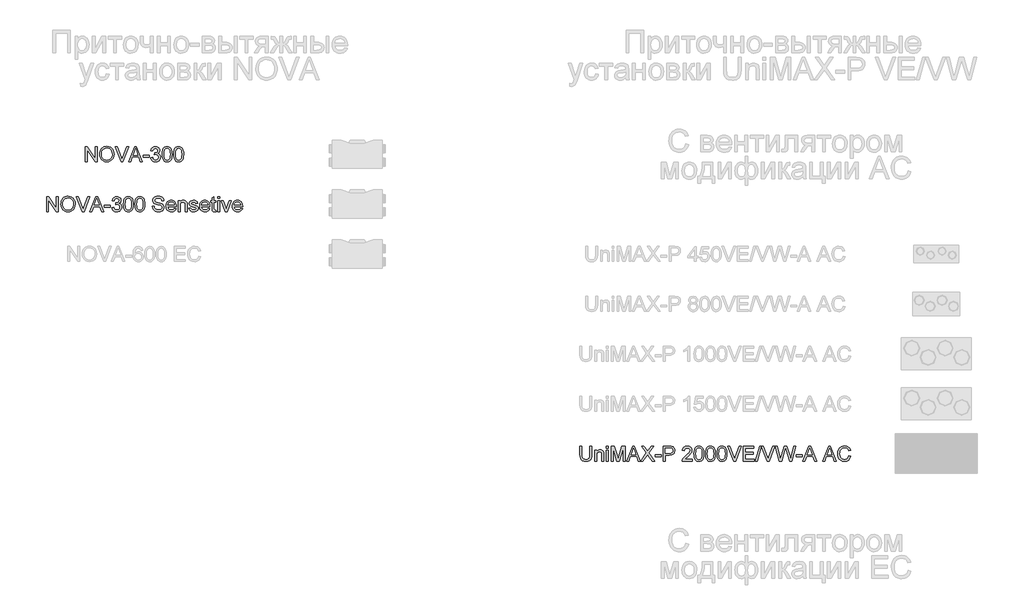
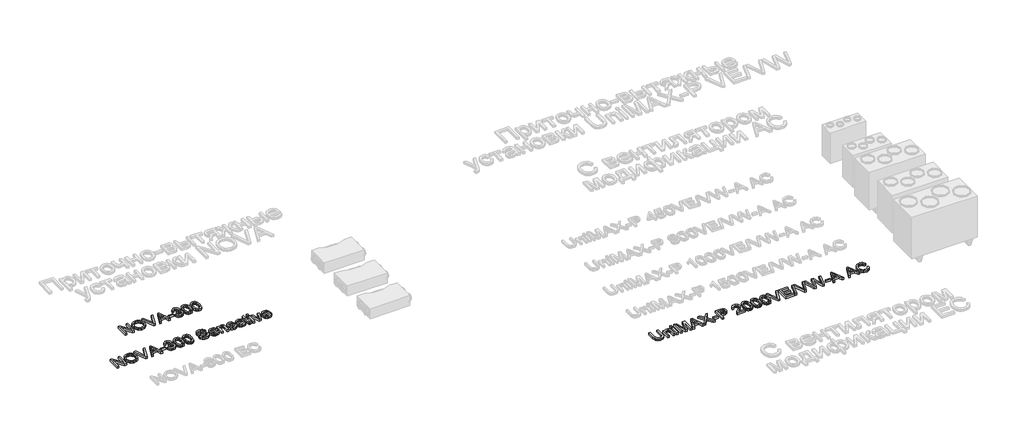
# One storey, part 16 of 74: 3 proxies.
"""IFC4 building model written with IfcOpenShell, lengths in millimetres."""

from ifc_helpers import new_model, si_unit, origin, origin_with_axes, place, context, project, spatial, polyline, outline, extrude, element, save

model = new_model("IFC4")

# Units and contexts
model_context = context("Model", 3, world=origin())
ifc_project = project(units=[si_unit("LENGTHUNIT", "METRE", prefix="MILLI")], contexts=[model_context])

# Site, building, storey
site = spatial("IfcSite", under=ifc_project)
building = spatial("IfcBuilding", under=site)
storey = spatial("IfcBuildingStorey", under=building, Elevation=0.0)

# Proxies
placement = place(None, origin())
element("IfcBuildingElementProxy", 1, Name="Generic Models", at=placement, inside=storey, context=model_context, shape_type="SweptSolid", body=[
    extrude(outline(polyline([(1433.2685307, -26033.3217608), (1433.2685307, -25731.9528304), (1473.5883974, -25731.9528304), (1631.0418913, -25970.7082452), (1631.0418913, -25731.9528304), (1668.7130076, -25731.9528304), (1668.7130076, -26033.3217608), (1628.393141, -26033.3217608), (1470.939647, -25794.4927695), (1470.939647, -26033.3217608), (1433.2685307, -26033.3217608)])), origin_with_axes(), (0.0, 0.0, 1.0), 50.0),
    extrude(outline(polyline([(1720.5107926, -25886.6104211), (1723.0215872, -25851.2615599), (1730.553971, -25819.9685977), (1743.1079441, -25792.7315345), (1760.6835064, -25769.5503703), (1782.2275958, -25751.0413074), (1806.6871499, -25737.8205482), (1834.0621689, -25729.8880927), (1864.3526527, -25727.2439408), (1903.881573, -25732.2103477), (1939.3270033, -25747.1095686), (1968.7575629, -25770.8931395), (1990.2418714, -25802.512597), (2003.3752586, -25840.4412307), (2007.7530544, -25883.1523304), (2003.1453324, -25926.4336471), (1989.3221664, -25964.8957097), (1967.0469116, -25996.5703495), (1937.0829231, -26019.4893978), (1901.9409955, -26033.3953372), (1864.1319235, -26038.0306503), (1823.9959978, -26032.9078936), (1788.3482325, -26017.5396232), (1758.9912492, -25993.3145938), (1737.7276699, -25961.6215599), (1724.8150119, -25925.1552572), (1720.5107926, -25886.6104211)]), holes=[polyline([(1758.1819089, -25886.9783031), (1760.0650048, -25911.9528921), (1765.7142927, -25934.1223808), (1775.1297725, -25953.4867693), (1788.3114443, -25970.0460576), (1804.3350044, -25983.3082036), (1822.2761495, -25992.7811649), (1842.1348794, -25998.4649418), (1863.9111943, -26000.359534), (1886.0599896, -25998.4465477), (1906.1532444, -25992.7075885), (1924.1909584, -25983.1426567), (1940.1731319, -25969.751752), (1953.2582346, -25952.8429758), (1962.6047365, -25932.7244292), (1968.2126377, -25909.3961122), (1970.0819381, -25882.8580248), (1966.8813647, -25849.5095219), (1957.2796446, -25820.6859676), (1941.5250982, -25797.1139287), (1919.8660457, -25779.5199723), (1893.737227, -25768.5662859), (1864.5733819, -25764.9150571), (1843.5535244, -25766.6739929), (1824.0511801, -25771.9508003), (1806.0663491, -25780.7454792), (1789.5990312, -25793.0580298), (1775.8540402, -25809.4816616), (1766.0361895, -25830.6095844), (1760.145479, -25856.4417983), (1758.1819089, -25886.9783031)])]), origin_with_axes(), (0.0, 0.0, 1.0), 50.0),
    extrude(outline(polyline([(2148.5782821, -26033.3217608), (2028.6487517, -25731.9528304), (2068.9686184, -25731.9528304), (2149.2404697, -25949.0767839), (2165.5008539, -25998.0050893), (2181.5405089, -25949.0767839), (2262.0330895, -25731.9528304), (2302.3529561, -25731.9528304), (2187.5001972, -26033.3217608), (2148.5782821, -26033.3217608)])), origin_with_axes(), (0.0, 0.0, 1.0), 50.0),
    extrude(outline(polyline([(2302.2793797, -26033.3217608), (2422.5767921, -25731.9528304), (2454.6561021, -25731.9528304), (2574.9535145, -26033.3217608), (2535.1486827, -26033.3217608), (2500.6413515, -25939.14397), (2376.5179663, -25939.14397), (2342.0842116, -26033.3217608), (2302.2793797, -26033.3217608)]), holes=[polyline([(2390.3503294, -25901.4728537), (2486.8825649, -25901.4728537), (2459.7328737, -25827.3814199), (2438.6164471, -25769.6239467), (2419.8544654, -25820.9066968), (2390.3503294, -25901.4728537)])]), origin_with_axes(), (0.0, 0.0, 1.0), 50.0),
    extrude(outline(polyline([(2591.6553571, -25943.8528596), (2591.6553571, -25906.1817433), (2709.3775956, -25906.1817433), (2709.3775956, -25943.8528596), (2591.6553571, -25943.8528596)])), origin_with_axes(), (0.0, 0.0, 1.0), 50.0),
    extrude(outline(polyline([(2742.3398224, -25953.2706387), (2780.0109387, -25948.5617491), (2788.4446334, -25972.2349555), (2800.7962714, -25988.2194282), (2817.6728579, -25997.3245076), (2839.6813983, -26000.359534), (2865.5067143, -25996.1840734), (2885.4459185, -25983.6576915), (2898.1930296, -25964.9692861), (2902.4420667, -25942.3077552), (2898.2298178, -25920.7958555), (2885.5930713, -25903.3490519), (2866.4632075, -25891.7883602), (2842.771607, -25887.9347963), (2816.3576798, -25892.0550747), (2820.5515345, -25854.3839583), (2826.5847992, -25854.8254167), (2849.1543597, -25852.1214841), (2869.3326871, -25844.0096861), (2883.5697203, -25830.2876877), (2888.315398, -25810.7531537), (2884.8757014, -25794.4835725), (2874.5566114, -25781.2858059), (2858.811262, -25772.5394115), (2839.0927871, -25769.6239467), (2819.3375239, -25772.5670026), (2803.1875044, -25781.3961705), (2791.3968864, -25796.1114503), (2784.7198282, -25816.712842), (2747.0487119, -25812.0039525), (2758.140354, -25778.177203), (2777.8772231, -25752.9221041), (2804.8797615, -25737.1951488), (2837.7684119, -25731.9528304), (2861.4508153, -25734.5372014), (2883.2018383, -25742.2903144), (2901.5407558, -25754.5223908), (2914.9868427, -25770.5436516), (2923.2365964, -25789.0021308), (2925.9865143, -25808.5458617), (2923.3745522, -25826.7560205), (2915.5386657, -25843.2739221), (2902.5892195, -25857.3454084), (2884.6365781, -25868.2163214), (2908.217814, -25877.744465), (2925.6922087, -25893.968061), (2936.5079394, -25916.0041925), (2940.113183, -25942.9699428), (2938.3105612, -25962.0814124), (2932.9026959, -25979.6845659), (2923.889587, -25995.7794032), (2911.2712345, -26010.3659243), (2895.8983657, -26022.4692419), (2878.6217075, -26031.1144688), (2859.4412599, -26036.301605), (2838.3570231, -26038.0306503), (2819.3007357, -26036.5545238), (2801.9367056, -26032.1261443), (2786.2649326, -26024.7455118), (2772.2854168, -26014.4126262), (2760.5637767, -26001.734493), (2751.6656309, -25987.3181173), (2745.5909795, -25971.1634992), (2742.3398224, -25953.2706387)])), origin_with_axes(), (0.0, 0.0, 1.0), 50.0),
    extrude(outline(polyline([(2973.0754097, -25885.0653167), (2975.8437217, -25836.8267901), (2984.1486578, -25798.3555305), (2997.9074444, -25769.0629266), (3017.0373082, -25748.3603673), (3041.6762048, -25736.0547146), (3071.96209, -25731.9528304), (3095.1754439, -25734.3808515), (3115.9607767, -25741.664915), (3133.3432009, -25753.5199123), (3146.3478295, -25769.6607349), (3156.1702787, -25789.9494269), (3164.0061652, -25814.2480327), (3169.1381191, -25845.104135), (3170.8487703, -25885.0653167), (3168.1080495, -25933.0279319), (3159.8858869, -25971.407221), (3146.2098737, -26000.727416), (3127.1076011, -26021.5127488), (3102.4135222, -26033.9011749), (3071.96209, -26038.0306503), (3051.2135455, -26036.2372256), (3032.8194457, -26030.8569514), (3016.7797908, -26021.8898278), (3003.0945805, -26009.3358547), (2989.9611933, -25986.6421341), (2980.5802024, -25958.3658043), (2974.9516079, -25924.5068652), (2973.0754097, -25885.0653167)]), holes=[polyline([(3010.746526, -25884.9917403), (3015.16111, -25944.2483327), (3020.6793399, -25964.5163314), (3028.4048618, -25978.5441317), (3048.1233367, -25994.9056835), (3071.96209, -26000.359534), (3095.8008433, -25994.8872894), (3115.5193183, -25978.4705553), (3123.2448402, -25964.4197624), (3128.7630701, -25944.1563622), (3133.177654, -25884.9917403), (3128.9102229, -25827.0687202), (3123.575934, -25806.8674001), (3116.1079295, -25792.5062068), (3096.4262427, -25775.3445117), (3071.5206316, -25769.6239467), (3047.9393957, -25774.66393), (3028.993473, -25789.78388), (3021.0104337, -25805.4188648), (3015.3082628, -25826.4985031), (3010.746526, -25884.9917403)])]), origin_with_axes(), (0.0, 0.0, 1.0), 50.0),
    extrude(outline(polyline([(3203.8109971, -25885.0653167), (3206.5793091, -25836.8267901), (3214.8842452, -25798.3555305), (3228.6430318, -25769.0629266), (3247.7728955, -25748.3603673), (3272.4117922, -25736.0547146), (3302.6976774, -25731.9528304), (3325.9110313, -25734.3808515), (3346.696364, -25741.664915), (3364.0787883, -25753.5199123), (3377.0834168, -25769.6607349), (3386.9058661, -25789.9494269), (3394.7417526, -25814.2480327), (3399.8737064, -25845.104135), (3401.5843577, -25885.0653167), (3398.8436368, -25933.0279319), (3390.6214743, -25971.407221), (3376.9454611, -26000.727416), (3357.8431885, -26021.5127488), (3333.1491096, -26033.9011749), (3302.6976774, -26038.0306503), (3281.9491329, -26036.2372256), (3263.5550331, -26030.8569514), (3247.5153781, -26021.8898278), (3233.8301679, -26009.3358547), (3220.6967807, -25986.6421341), (3211.3157898, -25958.3658043), (3205.6871953, -25924.5068652), (3203.8109971, -25885.0653167)]), holes=[polyline([(3241.4821134, -25884.9917403), (3245.8966974, -25944.2483327), (3251.4149273, -25964.5163314), (3259.1404492, -25978.5441317), (3278.8589241, -25994.9056835), (3302.6976774, -26000.359534), (3326.5364307, -25994.8872894), (3346.2549056, -25978.4705553), (3353.9804275, -25964.4197624), (3359.4986575, -25944.1563622), (3363.9132414, -25884.9917403), (3359.6458103, -25827.0687202), (3354.3115213, -25806.8674001), (3346.8435168, -25792.5062068), (3327.1618301, -25775.3445117), (3302.256219, -25769.6239467), (3278.6749831, -25774.66393), (3259.7290604, -25789.78388), (3251.7460211, -25805.4188648), (3246.0438501, -25826.4985031), (3241.4821134, -25884.9917403)])]), origin_with_axes(), (0.0, 0.0, 1.0), 50.0),
])
element("IfcBuildingElementProxy", 2, Name="Generic Models", at=placement, inside=storey, context=model_context, shape_type="SweptSolid", body=[
    extrude(outline(polyline([(656.1739515, -27033.3217608), (656.1739515, -26731.9528304), (696.4938182, -26731.9528304), (853.9473121, -26970.7082452), (853.9473121, -26731.9528304), (891.6184284, -26731.9528304), (891.6184284, -27033.3217608), (851.2985618, -27033.3217608), (693.8450678, -26794.4927695), (693.8450678, -27033.3217608), (656.1739515, -27033.3217608)])), origin_with_axes(), (0.0, 0.0, 1.0), 50.0),
    extrude(outline(polyline([(943.4162134, -26886.6104211), (945.927008, -26851.2615599), (953.4593918, -26819.9685977), (966.0133649, -26792.7315345), (983.5889272, -26769.5503703), (1005.1330166, -26751.0413074), (1029.5925707, -26737.8205482), (1056.9675897, -26729.8880927), (1087.2580735, -26727.2439408), (1126.7869939, -26732.2103477), (1162.2324241, -26747.1095686), (1191.6629837, -26770.8931395), (1213.1472922, -26802.512597), (1226.2806795, -26840.4412307), (1230.6584752, -26883.1523304), (1226.0507532, -26926.4336471), (1212.2275872, -26964.8957097), (1189.9523324, -26996.5703495), (1159.9883439, -27019.4893978), (1124.8464163, -27033.3953372), (1087.0373443, -27038.0306503), (1046.9014186, -27032.9078936), (1011.2536533, -27017.5396232), (981.8966701, -26993.3145938), (960.6330907, -26961.6215599), (947.7204327, -26925.1552572), (943.4162134, -26886.6104211)]), holes=[polyline([(981.0873297, -26886.9783031), (982.9704256, -26911.9528921), (988.6197135, -26934.1223808), (998.0351933, -26953.4867693), (1011.2168651, -26970.0460576), (1027.2404252, -26983.3082036), (1045.1815703, -26992.7811649), (1065.0403002, -26998.4649418), (1086.8166151, -27000.359534), (1108.9654105, -26998.4465477), (1129.0586652, -26992.7075885), (1147.0963793, -26983.1426567), (1163.0785527, -26969.751752), (1176.1636554, -26952.8429758), (1185.5101573, -26932.7244292), (1191.1180585, -26909.3961122), (1192.9873589, -26882.8580248), (1189.7867855, -26849.5095219), (1180.1850655, -26820.6859676), (1164.430519, -26797.1139287), (1142.7714665, -26779.5199723), (1116.6426478, -26768.5662859), (1087.4788027, -26764.9150571), (1066.4589452, -26766.6739929), (1046.9566009, -26771.9508003), (1028.9717699, -26780.7454792), (1012.5044521, -26793.0580298), (998.759461, -26809.4816616), (988.9416103, -26830.6095844), (983.0508998, -26856.4417983), (981.0873297, -26886.9783031)])]), origin_with_axes(), (0.0, 0.0, 1.0), 50.0),
    extrude(outline(polyline([(1371.4837029, -27033.3217608), (1251.5541725, -26731.9528304), (1291.8740392, -26731.9528304), (1372.1458905, -26949.0767839), (1388.4062747, -26998.0050893), (1404.4459297, -26949.0767839), (1484.9385103, -26731.9528304), (1525.2583769, -26731.9528304), (1410.405618, -27033.3217608), (1371.4837029, -27033.3217608)])), origin_with_axes(), (0.0, 0.0, 1.0), 50.0),
    extrude(outline(polyline([(1525.1848005, -27033.3217608), (1645.482213, -26731.9528304), (1677.5615229, -26731.9528304), (1797.8589354, -27033.3217608), (1758.0541035, -27033.3217608), (1723.5467723, -26939.14397), (1599.4233872, -26939.14397), (1564.9896324, -27033.3217608), (1525.1848005, -27033.3217608)]), holes=[polyline([(1613.2557502, -26901.4728537), (1709.7879857, -26901.4728537), (1682.6382945, -26827.3814199), (1661.5218679, -26769.6239467), (1642.7598862, -26820.9066968), (1613.2557502, -26901.4728537)])]), origin_with_axes(), (0.0, 0.0, 1.0), 50.0),
    extrude(outline(polyline([(1814.5607779, -26943.8528596), (1814.5607779, -26906.1817433), (1932.2830164, -26906.1817433), (1932.2830164, -26943.8528596), (1814.5607779, -26943.8528596)])), origin_with_axes(), (0.0, 0.0, 1.0), 50.0),
    extrude(outline(polyline([(1965.2452432, -26953.2706387), (2002.9163595, -26948.5617491), (2011.3500542, -26972.2349555), (2023.7016922, -26988.2194282), (2040.5782787, -26997.3245076), (2062.5868191, -27000.359534), (2088.4121351, -26996.1840734), (2108.3513393, -26983.6576915), (2121.0984504, -26964.9692861), (2125.3474875, -26942.3077552), (2121.1352386, -26920.7958555), (2108.4984921, -26903.3490519), (2089.3686283, -26891.7883602), (2065.6770278, -26887.9347963), (2039.2631006, -26892.0550747), (2043.4569553, -26854.3839583), (2049.4902201, -26854.8254167), (2072.0597805, -26852.1214841), (2092.2381079, -26844.0096861), (2106.4751411, -26830.2876877), (2111.2208189, -26810.7531537), (2107.7811222, -26794.4835725), (2097.4620322, -26781.2858059), (2081.7166828, -26772.5394115), (2061.9982079, -26769.6239467), (2042.2429448, -26772.5670026), (2026.0929252, -26781.3961705), (2014.3023072, -26796.1114503), (2007.625249, -26816.712842), (1969.9541327, -26812.0039525), (1981.0457749, -26778.177203), (2000.7826439, -26752.9221041), (2027.7851823, -26737.1951488), (2060.6738327, -26731.9528304), (2084.3562362, -26734.5372014), (2106.1072591, -26742.2903144), (2124.4461766, -26754.5223908), (2137.8922635, -26770.5436516), (2146.1420172, -26789.0021308), (2148.8919352, -26808.5458617), (2146.279973, -26826.7560205), (2138.4440865, -26843.2739221), (2125.4946403, -26857.3454084), (2107.5419989, -26868.2163214), (2131.1232348, -26877.744465), (2148.5976296, -26893.968061), (2159.4133602, -26916.0041925), (2163.0186038, -26942.9699428), (2161.215982, -26962.0814124), (2155.8081167, -26979.6845659), (2146.7950078, -26995.7794032), (2134.1766553, -27010.3659243), (2118.8037865, -27022.4692419), (2101.5271283, -27031.1144688), (2082.3466808, -27036.301605), (2061.2624439, -27038.0306503), (2042.2061566, -27036.5545238), (2024.8421264, -27032.1261443), (2009.1703534, -27024.7455118), (1995.1908376, -27014.4126262), (1983.4691975, -27001.734493), (1974.5710517, -26987.3181173), (1968.4964003, -26971.1634992), (1965.2452432, -26953.2706387)])), origin_with_axes(), (0.0, 0.0, 1.0), 50.0),
    extrude(outline(polyline([(2195.9808305, -26885.0653167), (2198.7491426, -26836.8267901), (2207.0540786, -26798.3555305), (2220.8128652, -26769.0629266), (2239.942729, -26748.3603673), (2264.5816256, -26736.0547146), (2294.8675108, -26731.9528304), (2318.0808647, -26734.3808515), (2338.8661975, -26741.664915), (2356.2486217, -26753.5199123), (2369.2532503, -26769.6607349), (2379.0756995, -26789.9494269), (2386.911586, -26814.2480327), (2392.0435399, -26845.104135), (2393.7541911, -26885.0653167), (2391.0134703, -26933.0279319), (2382.7913077, -26971.407221), (2369.1152945, -27000.727416), (2350.0130219, -27021.5127488), (2325.318943, -27033.9011749), (2294.8675108, -27038.0306503), (2274.1189663, -27036.2372256), (2255.7248666, -27030.8569514), (2239.6852116, -27021.8898278), (2226.0000013, -27009.3358547), (2212.8666141, -26986.6421341), (2203.4856232, -26958.3658043), (2197.8570287, -26924.5068652), (2195.9808305, -26885.0653167)]), holes=[polyline([(2233.6519468, -26884.9917403), (2238.0665308, -26944.2483327), (2243.5847607, -26964.5163314), (2251.3102826, -26978.5441317), (2271.0287576, -26994.9056835), (2294.8675108, -27000.359534), (2318.7062641, -26994.8872894), (2338.4247391, -26978.4705553), (2346.150261, -26964.4197624), (2351.6684909, -26944.1563622), (2356.0830748, -26884.9917403), (2351.8156437, -26827.0687202), (2346.4813548, -26806.8674001), (2339.0133503, -26792.5062068), (2319.3316635, -26775.3445117), (2294.4260524, -26769.6239467), (2270.8448166, -26774.66393), (2251.8988938, -26789.78388), (2243.9158545, -26805.4188648), (2238.2136836, -26826.4985031), (2233.6519468, -26884.9917403)])]), origin_with_axes(), (0.0, 0.0, 1.0), 50.0),
    extrude(outline(polyline([(2426.7164179, -26885.0653167), (2429.4847299, -26836.8267901), (2437.789666, -26798.3555305), (2451.5484526, -26769.0629266), (2470.6783163, -26748.3603673), (2495.317213, -26736.0547146), (2525.6030982, -26731.9528304), (2548.8164521, -26734.3808515), (2569.6017848, -26741.664915), (2586.9842091, -26753.5199123), (2599.9888376, -26769.6607349), (2609.8112869, -26789.9494269), (2617.6471734, -26814.2480327), (2622.7791272, -26845.104135), (2624.4897785, -26885.0653167), (2621.7490577, -26933.0279319), (2613.5268951, -26971.407221), (2599.8508819, -27000.727416), (2580.7486093, -27021.5127488), (2556.0545304, -27033.9011749), (2525.6030982, -27038.0306503), (2504.8545537, -27036.2372256), (2486.4604539, -27030.8569514), (2470.4207989, -27021.8898278), (2456.7355887, -27009.3358547), (2443.6022015, -26986.6421341), (2434.2212106, -26958.3658043), (2428.5926161, -26924.5068652), (2426.7164179, -26885.0653167)]), holes=[polyline([(2464.3875342, -26884.9917403), (2468.8021182, -26944.2483327), (2474.3203481, -26964.5163314), (2482.04587, -26978.5441317), (2501.7643449, -26994.9056835), (2525.6030982, -27000.359534), (2549.4418515, -26994.8872894), (2569.1603264, -26978.4705553), (2576.8858483, -26964.4197624), (2582.4040783, -26944.1563622), (2586.8186622, -26884.9917403), (2582.5512311, -26827.0687202), (2577.2169421, -26806.8674001), (2569.7489376, -26792.5062068), (2550.0672509, -26775.3445117), (2525.1616398, -26769.6239467), (2501.5804039, -26774.66393), (2482.6344812, -26789.78388), (2474.6514419, -26805.4188648), (2468.949271, -26826.4985031), (2464.3875342, -26884.9917403)])]), origin_with_axes(), (0.0, 0.0, 1.0), 50.0),
    extrude(outline(polyline([(2775.1742437, -26929.726191), (2812.8453601, -26929.726191), (2817.1679735, -26950.6310853), (2824.9854659, -26967.4340955), (2837.180754, -26980.7698178), (2854.6367547, -26991.2728488), (2875.9739104, -26998.0878627), (2899.8126637, -27000.359534), (2920.8003315, -26998.6396857), (2939.1760372, -26993.4801407), (2954.0660609, -26985.3131604), (2964.5966831, -26974.5710062), (2970.859874, -26962.2377623), (2972.9476044, -26949.2975131), (2971.3841059, -26936.6883577), (2966.6936104, -26925.7898536), (2957.1654668, -26916.4916362), (2941.0890236, -26908.6833408), (2886.2378181, -26894.2991548), (2850.2313678, -26884.7802082), (2827.1927579, -26875.7211141), (2808.4399732, -26863.0475793), (2795.1502361, -26847.688506), (2787.2315761, -26829.974988), (2784.5920228, -26810.2381189), (2787.8569755, -26788.1743963), (2797.6518337, -26767.6005957), (2813.7190798, -26750.1629891), (2835.8011966, -26737.5078485), (2862.3070943, -26729.8099177), (2891.6456834, -26727.2439408), (2923.4306878, -26729.9294794), (2951.2425666, -26737.9860951), (2974.0880385, -26751.248241), (2990.9738221, -26769.5503703), (3001.6607941, -26791.7520487), (3005.9098311, -26816.712842), (2968.2387148, -26816.712842), (2961.3225333, -26794.2352521), (2946.9015591, -26778.0116561), (2924.3687869, -26768.1892069), (2893.1172114, -26764.9150571), (2861.1298719, -26768.1524187), (2839.1857109, -26777.8645034), (2826.4937821, -26792.1567189), (2822.2631391, -26809.1344729), (2825.2613774, -26823.6106295), (2834.2560922, -26835.2540946), (2855.5196715, -26845.6651551), (2895.7659618, -26856.2969447), (2937.299839, -26866.3953055), (2962.4261793, -26875.2060793), (2983.9012908, -26888.8728954), (2998.883285, -26905.7402849), (3007.6848617, -26925.6243067), (3010.6187207, -26948.3410199), (3007.2434034, -26971.5635709), (2997.1174514, -26993.4065643), (2980.6547322, -27012.2053343), (2958.2691127, -27026.2952147), (2931.3493477, -27035.0967914), (2901.2841917, -27038.0306503), (2864.3764305, -27034.8668652), (2833.9985748, -27025.3755097), (2809.8011365, -27009.5197957), (2791.4346279, -26987.262935), (2779.64401, -26960.150032), (2775.1742437, -26929.726191)])), origin_with_axes(), (0.0, 0.0, 1.0), 50.0),
    extrude(outline(polyline([(3217.3684019, -26967.3973073), (3254.3037543, -26972.1061968), (3240.9956231, -26999.9364697), (3219.7596349, -27020.7401966), (3191.0740363, -27033.7080369), (3155.417074, -27038.0306503), (3132.0427717, -27036.1659485), (3111.2160522, -27030.5718429), (3092.9369156, -27021.2483336), (3077.2053618, -27008.1954205), (3064.5548197, -26991.7763872), (3055.5187182, -26972.3545172), (3050.0970573, -26949.9298103), (3048.289837, -26924.5022666), (3050.1154514, -26898.2124995), (3055.5922946, -26875.0405324), (3064.7203666, -26854.9863651), (3077.4996674, -26838.0499978), (3093.1898345, -26824.5947138), (3111.0505053, -26814.9837967), (3131.08168, -26809.2172464), (3153.2833584, -26807.295063), (3174.7699662, -26809.2126479), (3194.2010333, -26814.9654026), (3211.5765598, -26824.5533271), (3226.8965456, -26837.9764214), (3239.4022342, -26854.8760005), (3248.3348689, -26874.8933796), (3253.6944497, -26898.0285586), (3255.4809766, -26924.2815374), (3255.2602475, -26934.4350805), (3085.9609533, -26934.4350805), (3092.4816616, -26962.6332354), (3107.6292028, -26983.3633859), (3129.4905903, -26996.110497), (3156.152838, -27000.359534), (3176.2024067, -26998.3913654), (3193.0881903, -26992.4868593), (3206.8101887, -26982.278134), (3217.3684019, -26967.3973073)]), holes=[polyline([(3085.9609533, -26896.7639642), (3217.8098603, -26896.7639642), (3212.7146947, -26876.8615483), (3202.7266985, -26862.624515), (3180.7641434, -26849.3807632), (3153.1362056, -26844.9661793), (3127.7431509, -26848.4886494), (3106.746286, -26859.0560597), (3092.1505678, -26875.527976), (3085.9609533, -26896.7639642)])]), origin_with_axes(), (0.0, 0.0, 1.0), 50.0),
    extrude(outline(polyline([(3293.152093, -27033.3217608), (3293.152093, -26812.0039525), (3330.8232093, -26812.0039525), (3330.8232093, -26842.9060401), (3343.9106112, -26827.3262376), (3359.6283695, -26816.1978072), (3377.976484, -26809.520749), (3398.9549548, -26807.295063), (3417.5237985, -26809.0884877), (3434.5291437, -26814.4687619), (3448.7109946, -26822.7645009), (3458.8093554, -26833.30432), (3470.1033326, -26861.0058343), (3472.0898954, -26897.4261518), (3472.0898954, -27033.3217608), (3434.4187791, -27033.3217608), (3434.4187791, -26902.5029233), (3430.0777716, -26869.1728146), (3424.072098, -26859.2491977), (3414.7370924, -26851.551267), (3402.7717305, -26846.6124512), (3388.8749881, -26844.9661793), (3366.8112654, -26848.6633933), (3348.0032984, -26859.7550355), (3340.4870094, -26868.8095311), (3335.1182316, -26881.1841617), (3330.8232093, -26915.8938279), (3330.8232093, -27033.3217608), (3293.152093, -27033.3217608)])), origin_with_axes(), (0.0, 0.0, 1.0), 50.0),
    extrude(outline(polyline([(3509.7610117, -26967.3973073), (3547.432128, -26962.6884177), (3553.3734222, -26978.8016491), (3564.8697346, -26990.6474494), (3581.9946415, -26997.9315129), (3604.8217193, -27000.359534), (3627.3728856, -26998.133848), (3643.2285996, -26991.4567898), (3652.6095904, -26981.7814933), (3655.7365874, -26970.5610924), (3652.5911963, -26960.9593724), (3643.1550232, -26953.6385206), (3604.3802609, -26942.8963664), (3547.6528572, -26924.4654784), (3533.2962624, -26915.2040492), (3522.8943989, -26902.9443817), (3516.5760257, -26888.4682252), (3514.4699013, -26872.5573289), (3516.1621584, -26857.9616108), (3521.23893, -26844.4879327), (3529.2403634, -26832.6697236), (3539.7066061, -26823.0404124), (3563.655724, -26811.8935879), (3596.0661278, -26807.295063), (3620.5854628, -26809.14367), (3641.9042244, -26814.6894911), (3659.0475254, -26823.3899003), (3671.0404784, -26834.7022716), (3678.9867295, -26849.4635367), (3683.9899246, -26868.510627), (3646.3188083, -26873.2195165), (3641.5639335, -26861.3645192), (3632.1553515, -26852.4341838), (3618.0010917, -26846.8331804), (3599.0091837, -26844.9661793), (3577.3777224, -26846.7504069), (3562.9567482, -26852.10309), (3554.8449502, -26859.8286119), (3552.1410176, -26868.7313562), (3556.6291779, -26879.6942396), (3570.6822701, -26888.0083727), (3603.1294621, -26896.0282002), (3658.422126, -26913.7601124), (3673.0270412, -26922.2397924), (3684.1002892, -26933.8464693), (3691.0808501, -26948.6169314), (3693.4077037, -26966.5879669), (3690.6761799, -26985.1660076), (3682.4816084, -27002.6404024), (3669.1366891, -27017.6407908), (3650.9541215, -27028.7968123), (3628.9915664, -27035.7221908), (3604.3066845, -27038.0306503), (3566.3228685, -27033.5792782), (3538.6029601, -27020.2251618), (3520.0984958, -26998.1154539), (3509.7610117, -26967.3973073)])), origin_with_axes(), (0.0, 0.0, 1.0), 50.0),
    extrude(outline(polyline([(3890.7396059, -26967.3973073), (3927.6749582, -26972.1061968), (3914.3668271, -26999.9364697), (3893.1308389, -27020.7401966), (3864.4452403, -27033.7080369), (3828.7882779, -27038.0306503), (3805.4139757, -27036.1659485), (3784.5872562, -27030.5718429), (3766.3081196, -27021.2483336), (3750.5765658, -27008.1954205), (3737.9260236, -26991.7763872), (3728.8899221, -26972.3545172), (3723.4682612, -26949.9298103), (3721.6610409, -26924.5022666), (3723.4866553, -26898.2124995), (3728.9634985, -26875.0405324), (3738.0915705, -26854.9863651), (3750.8708714, -26838.0499978), (3766.5610384, -26824.5947138), (3784.4217093, -26814.9837967), (3804.452884, -26809.2172464), (3826.6545624, -26807.295063), (3848.1411701, -26809.2126479), (3867.5722373, -26814.9654026), (3884.9477638, -26824.5533271), (3900.2677496, -26837.9764214), (3912.7734382, -26854.8760005), (3921.7060729, -26874.8933796), (3927.0656537, -26898.0285586), (3928.8521806, -26924.2815374), (3928.6314514, -26934.4350805), (3759.3321572, -26934.4350805), (3765.8528656, -26962.6332354), (3781.0004068, -26983.3633859), (3802.8617943, -26996.110497), (3829.5240419, -27000.359534), (3849.5736107, -26998.3913654), (3866.4593942, -26992.4868593), (3880.1813927, -26982.278134), (3890.7396059, -26967.3973073)]), holes=[polyline([(3759.3321572, -26896.7639642), (3891.1810643, -26896.7639642), (3886.0858987, -26876.8615483), (3876.0979025, -26862.624515), (3854.1353474, -26849.3807632), (3826.5074096, -26844.9661793), (3801.1143548, -26848.4886494), (3780.11749, -26859.0560597), (3765.5217718, -26875.527976), (3759.3321572, -26896.7639642)])]), origin_with_axes(), (0.0, 0.0, 1.0), 50.0),
    extrude(outline(polyline([(4046.5744191, -27001.9046384), (4051.2833086, -27034.4254068), (4023.1035478, -27038.0306503), (4005.0221477, -27036.4671519), (3991.5392726, -27031.7766564), (3982.0111289, -27024.5477752), (3975.7939232, -27015.3691194), (3972.3726206, -26999.6053759), (3971.2321865, -26972.6212316), (3971.2321865, -26849.6750688), (3942.9788492, -26849.6750688), (3942.9788492, -26812.0039525), (3971.2321865, -26812.0039525), (3971.2321865, -26758.2196048), (4008.9033028, -26736.0731087), (4008.9033028, -26812.0039525), (4046.5744191, -26812.0039525), (4046.5744191, -26849.6750688), (4008.9033028, -26849.6750688), (4008.9033028, -26971.5175856), (4010.8898655, -26990.941755), (4017.3278005, -26997.8211483), (4030.1668821, -27000.359534), (4046.5744191, -27001.9046384)])), origin_with_axes(), (0.0, 0.0, 1.0), 50.0),
    extrude(outline(polyline([(4084.2455354, -27033.3217608), (4084.2455354, -26812.0039525), (4121.9166517, -26812.0039525), (4121.9166517, -27033.3217608), (4084.2455354, -27033.3217608)])), origin_with_axes(), (0.0, 0.0, 1.0), 50.0),
    extrude(outline(polyline([(4084.2455354, -26769.6239467), (4084.2455354, -26731.9528304), (4121.9166517, -26731.9528304), (4121.9166517, -26769.6239467), (4084.2455354, -26769.6239467)])), origin_with_axes(), (0.0, 0.0, 1.0), 50.0),
    extrude(outline(polyline([(4232.7227086, -27033.3217608), (4154.8788785, -26812.0039525), (4194.7572867, -26812.0039525), (4241.9197585, -26944.5886236), (4256.1200035, -26989.1759214), (4270.0259429, -26947.0902211), (4317.4827203, -26812.0039525), (4357.3611286, -26812.0039525), (4280.4737916, -27033.3217608), (4232.7227086, -27033.3217608)])), origin_with_axes(), (0.0, 0.0, 1.0), 50.0),
    extrude(outline(polyline([(4545.2752517, -26967.3973073), (4582.2106041, -26972.1061968), (4568.9024729, -26999.9364697), (4547.6664847, -27020.7401966), (4518.9808861, -27033.7080369), (4483.3239238, -27038.0306503), (4459.9496215, -27036.1659485), (4439.122902, -27030.5718429), (4420.8437654, -27021.2483336), (4405.1122116, -27008.1954205), (4392.4616695, -26991.7763872), (4383.425568, -26972.3545172), (4378.0039071, -26949.9298103), (4376.1966868, -26924.5022666), (4378.0223012, -26898.2124995), (4383.4991444, -26875.0405324), (4392.6272164, -26854.9863651), (4405.4065172, -26838.0499978), (4421.0966843, -26824.5947138), (4438.9573551, -26814.9837967), (4458.9885298, -26809.2172464), (4481.1902082, -26807.295063), (4502.676816, -26809.2126479), (4522.1078831, -26814.9654026), (4539.4834096, -26824.5533271), (4554.8033954, -26837.9764214), (4567.309084, -26854.8760005), (4576.2417187, -26874.8933796), (4581.6012995, -26898.0285586), (4583.3878264, -26924.2815374), (4583.1670972, -26934.4350805), (4413.8678031, -26934.4350805), (4420.3885114, -26962.6332354), (4435.5360526, -26983.3633859), (4457.3974401, -26996.110497), (4484.0596877, -27000.359534), (4504.1092565, -26998.3913654), (4520.9950401, -26992.4868593), (4534.7170385, -26982.278134), (4545.2752517, -26967.3973073)]), holes=[polyline([(4413.8678031, -26896.7639642), (4545.7167101, -26896.7639642), (4540.6215445, -26876.8615483), (4530.6335483, -26862.624515), (4508.6709932, -26849.3807632), (4481.0430554, -26844.9661793), (4455.6500007, -26848.4886494), (4434.6531358, -26859.0560597), (4420.0574176, -26875.527976), (4413.8678031, -26896.7639642)])]), origin_with_axes(), (0.0, 0.0, 1.0), 50.0),
])
element("IfcBuildingElementProxy", 3, Name="Generic Models", at=placement, inside=storey, context=model_context, shape_type="SweptSolid", body=[
    extrude(outline(polyline([(11540.524986, -31731.9528304), (11578.1961023, -31731.9528304), (11578.1961023, -31905.8138613), (11575.6393225, -31946.5292011), (11567.9689829, -31977.8819441), (11553.6399791, -32002.0701853), (11531.1072069, -32021.2920196), (11500.3154839, -32033.8459926), (11461.2096279, -32038.0306503), (11422.9590974, -32034.3886186), (11392.3789066, -32023.4625233), (11369.4598583, -32005.6294436), (11354.1927555, -31981.2664585), (11345.6119079, -31948.5893403), (11342.7516254, -31905.8138613), (11342.7516254, -31731.9528304), (11380.4227417, -31731.9528304), (11380.4227417, -31904.4894861), (11382.2805458, -31938.3438267), (11387.853958, -31961.9158655), (11397.9523188, -31978.2406291), (11413.3849685, -31990.3531438), (11433.5081136, -31997.8579365), (11457.6779607, -32000.359534), (11495.9928705, -31995.4115212), (11510.3356698, -31989.2265052), (11521.4686987, -31980.5674827), (11529.8058244, -31968.3905887), (11535.7609142, -31951.6519579), (11540.524986, -31904.4894861), (11540.524986, -31731.9528304)])), origin_with_axes(), (0.0, 0.0, 1.0), 50.0),
    extrude(outline(polyline([(11639.4116663, -32033.3217608), (11639.4116663, -31812.0039525), (11677.0827826, -31812.0039525), (11677.0827826, -31842.9060401), (11690.1701846, -31827.3262376), (11705.8879428, -31816.1978072), (11724.2360574, -31809.520749), (11745.2145281, -31807.295063), (11763.7833718, -31809.0884877), (11780.7887171, -31814.4687619), (11794.970568, -31822.7645009), (11805.0689287, -31833.30432), (11816.362906, -31861.0058343), (11818.3494688, -31897.4261518), (11818.3494688, -32033.3217608), (11780.6783525, -32033.3217608), (11780.6783525, -31902.5029233), (11776.3373449, -31869.1728146), (11770.3316713, -31859.2491977), (11760.9966657, -31851.551267), (11749.0313038, -31846.6124512), (11735.1345615, -31844.9661793), (11713.0708388, -31848.6633933), (11694.2628718, -31859.7550355), (11686.7465828, -31868.8095311), (11681.3778049, -31881.1841617), (11677.0827826, -31915.8938279), (11677.0827826, -32033.3217608), (11639.4116663, -32033.3217608)])), origin_with_axes(), (0.0, 0.0, 1.0), 50.0),
    extrude(outline(polyline([(11870.1472537, -32033.3217608), (11870.1472537, -31812.0039525), (11907.81837, -31812.0039525), (11907.81837, -32033.3217608), (11870.1472537, -32033.3217608)])), origin_with_axes(), (0.0, 0.0, 1.0), 50.0),
    extrude(outline(polyline([(11870.1472537, -31769.6239467), (11870.1472537, -31731.9528304), (11907.81837, -31731.9528304), (11907.81837, -31769.6239467), (11870.1472537, -31769.6239467)])), origin_with_axes(), (0.0, 0.0, 1.0), 50.0),
    extrude(outline(polyline([(11969.033934, -32033.3217608), (11969.033934, -31731.9528304), (12033.8547415, -31731.9528304), (12095.5117639, -31944.3678944), (12107.9461754, -31988.734463), (12121.4106564, -31940.6890744), (12182.0376092, -31731.9528304), (12246.8584168, -31731.9528304), (12246.8584168, -32033.3217608), (12209.1873004, -32033.3217608), (12209.1873004, -31769.6239467), (12133.4771858, -32033.3217608), (12082.4151649, -32033.3217608), (12006.7050503, -31769.6239467), (12006.7050503, -32033.3217608), (11969.033934, -32033.3217608)])), origin_with_axes(), (0.0, 0.0, 1.0), 50.0),
    extrude(outline(polyline([(12277.6869279, -32033.3217608), (12397.9843404, -31731.9528304), (12430.0636503, -31731.9528304), (12550.3610628, -32033.3217608), (12510.5562309, -32033.3217608), (12476.0488997, -31939.14397), (12351.9255146, -31939.14397), (12317.4917598, -32033.3217608), (12277.6869279, -32033.3217608)]), holes=[polyline([(12365.7578776, -31901.4728537), (12462.2901131, -31901.4728537), (12435.1404219, -31827.3814199), (12414.0239954, -31769.6239467), (12395.2620136, -31820.9066968), (12365.7578776, -31901.4728537)])]), origin_with_axes(), (0.0, 0.0, 1.0), 50.0),
    extrude(outline(polyline([(12557.6451263, -32033.3217608), (12673.8222604, -31869.0992382), (12576.4806844, -31731.9528304), (12621.6565934, -31731.9528304), (12676.4710107, -31809.1344729), (12694.9386869, -31839.2272201), (12716.5701482, -31808.6194381), (12770.7959543, -31731.9528304), (12816.6340509, -31731.9528304), (12719.292475, -31869.5406965), (12835.469609, -32033.3217608), (12790.2937, -32033.3217608), (12712.8913282, -31924.1343846), (12696.7780969, -31901.4728537), (12679.0461847, -31926.3416766), (12603.4832229, -32033.3217608), (12557.6451263, -32033.3217608)])), origin_with_axes(), (0.0, 0.0, 1.0), 50.0),
    extrude(outline(polyline([(12849.5962776, -31943.8528596), (12849.5962776, -31906.1817433), (12967.3185161, -31906.1817433), (12967.3185161, -31943.8528596), (12849.5962776, -31943.8528596)])), origin_with_axes(), (0.0, 0.0, 1.0), 50.0),
    extrude(outline(polyline([(13014.4074115, -32033.3217608), (13014.4074115, -31731.9528304), (13126.0963852, -31731.9528304), (13171.1251414, -31734.8223099), (13191.2023013, -31740.18419), (13207.7294, -31748.9121903), (13221.0375311, -31761.4017841), (13231.4577886, -31778.0484443), (13238.1900292, -31797.6841458), (13240.4341093, -31819.1408632), (13238.9188954, -31837.640729), (13234.3732535, -31854.6598698), (13226.7971836, -31870.1982856), (13216.1906858, -31884.2559764), (13201.6294566, -31895.9086386), (13182.1891924, -31904.2319687), (13157.8698933, -31909.2259668), (13128.6715592, -31910.8906328), (13052.0785278, -31910.8906328), (13052.0785278, -32033.3217608), (13014.4074115, -32033.3217608)]), holes=[polyline([(13052.0785278, -31873.2195165), (13130.8788512, -31873.2195165), (13164.2825363, -31869.7614257), (13186.355456, -31859.3871535), (13198.6611088, -31842.7404932), (13202.762993, -31820.4652384), (13200.3441689, -31803.5426666), (13193.0876965, -31789.2688452), (13181.8948868, -31778.5266909), (13167.6670507, -31772.1991206), (13129.9959344, -31769.6239467), (13052.0785278, -31769.6239467), (13052.0785278, -31873.2195165)])]), origin_with_axes(), (0.0, 0.0, 1.0), 50.0),
    extrude(outline(polyline([(13588.8919352, -31995.6506445), (13588.8919352, -32033.3217608), (13391.1185745, -32033.3217608), (13395.1652765, -32007.3492919), (13404.4542969, -31987.0514029), (13418.0475366, -31967.3605191), (13437.7108292, -31946.7499303), (13465.2100084, -31923.6929262), (13505.8609688, -31887.5853084), (13530.2515451, -31860.9322579), (13542.4468333, -31839.3007965), (13546.5119293, -31818.2579464), (13542.6767595, -31799.3947971), (13531.1712501, -31783.7138271), (13513.4853232, -31773.1464168), (13491.1089008, -31769.6239467), (13467.6104384, -31773.0636433), (13449.3542944, -31783.3827333), (13437.5728735, -31799.7718762), (13433.4985804, -31821.4217316), (13395.8274641, -31816.712842), (13404.9601346, -31780.2741304), (13413.5064932, -31765.7381931), (13424.7062007, -31753.6578681), (13438.3017397, -31744.1619141), (13454.0355928, -31737.3790898), (13491.9182412, -31731.9528304), (13512.108065, -31733.4611465), (13530.0768012, -31737.9860951), (13545.8244498, -31745.527676), (13559.3510109, -31756.0858892), (13570.2150261, -31768.8789856), (13577.9750369, -31783.1252159), (13582.6310435, -31798.82458), (13584.1830456, -31815.9770781), (13582.5091825, -31833.9940988), (13577.4875933, -31851.6984198), (13568.575652, -31869.7062434), (13555.2307326, -31888.6337721), (13533.9579562, -31911.2309237), (13501.2624439, -31940.247616), (13457.9259449, -31976.4839925), (13440.9297967, -31995.6506445), (13588.8919352, -31995.6506445)])), origin_with_axes(), (0.0, 0.0, 1.0), 50.0),
    extrude(outline(polyline([(13626.5630515, -31885.0653167), (13629.3313635, -31836.8267901), (13637.6362995, -31798.3555305), (13651.3950861, -31769.0629266), (13670.5249499, -31748.3603673), (13695.1638465, -31736.0547146), (13725.4497318, -31731.9528304), (13748.6630857, -31734.3808515), (13769.4484184, -31741.664915), (13786.8308427, -31753.5199123), (13799.8354712, -31769.6607349), (13809.6579205, -31789.9494269), (13817.493807, -31814.2480327), (13822.6257608, -31845.104135), (13824.3364121, -31885.0653167), (13821.5956912, -31933.0279319), (13813.3735286, -31971.407221), (13799.6975154, -32000.727416), (13780.5952428, -32021.5127488), (13755.9011639, -32033.9011749), (13725.4497318, -32038.0306503), (13704.7011872, -32036.2372256), (13686.3070875, -32030.8569514), (13670.2674325, -32021.8898278), (13656.5822223, -32009.3358547), (13643.448835, -31986.6421341), (13634.0678442, -31958.3658043), (13628.4392496, -31924.5068652), (13626.5630515, -31885.0653167)]), holes=[polyline([(13664.2341678, -31884.9917403), (13668.6487517, -31944.2483327), (13674.1669816, -31964.5163314), (13681.8925035, -31978.5441317), (13701.6109785, -31994.9056835), (13725.4497318, -32000.359534), (13749.2884851, -31994.8872894), (13769.00696, -31978.4705553), (13776.7324819, -31964.4197624), (13782.2507118, -31944.1563622), (13786.6652958, -31884.9917403), (13782.3978646, -31827.0687202), (13777.0635757, -31806.8674001), (13769.5955712, -31792.5062068), (13749.9138844, -31775.3445117), (13725.0082734, -31769.6239467), (13701.4270375, -31774.66393), (13682.4811147, -31789.78388), (13674.4980754, -31805.4188648), (13668.7959045, -31826.4985031), (13664.2341678, -31884.9917403)])]), origin_with_axes(), (0.0, 0.0, 1.0), 50.0),
    extrude(outline(polyline([(13857.2986388, -31885.0653167), (13860.0669509, -31836.8267901), (13868.3718869, -31798.3555305), (13882.1306735, -31769.0629266), (13901.2605373, -31748.3603673), (13925.8994339, -31736.0547146), (13956.1853191, -31731.9528304), (13979.398673, -31734.3808515), (14000.1840058, -31741.664915), (14017.56643, -31753.5199123), (14030.5710586, -31769.6607349), (14040.3935078, -31789.9494269), (14048.2293943, -31814.2480327), (14053.3613482, -31845.104135), (14055.0719994, -31885.0653167), (14052.3312786, -31933.0279319), (14044.109116, -31971.407221), (14030.4331028, -32000.727416), (14011.3308302, -32021.5127488), (13986.6367513, -32033.9011749), (13956.1853191, -32038.0306503), (13935.4367746, -32036.2372256), (13917.0426749, -32030.8569514), (13901.0030199, -32021.8898278), (13887.3178096, -32009.3358547), (13874.1844224, -31986.6421341), (13864.8034315, -31958.3658043), (13859.174837, -31924.5068652), (13857.2986388, -31885.0653167)]), holes=[polyline([(13894.9697551, -31884.9917403), (13899.3843391, -31944.2483327), (13904.902569, -31964.5163314), (13912.6280909, -31978.5441317), (13932.3465659, -31994.9056835), (13956.1853191, -32000.359534), (13980.0240724, -31994.8872894), (13999.7425474, -31978.4705553), (14007.4680693, -31964.4197624), (14012.9862992, -31944.1563622), (14017.4008831, -31884.9917403), (14013.133452, -31827.0687202), (14007.7991631, -31806.8674001), (14000.3311586, -31792.5062068), (13980.6494718, -31775.3445117), (13955.7438607, -31769.6239467), (13932.1626249, -31774.66393), (13913.2167021, -31789.78388), (13905.2336628, -31805.4188648), (13899.5314919, -31826.4985031), (13894.9697551, -31884.9917403)])]), origin_with_axes(), (0.0, 0.0, 1.0), 50.0),
    extrude(outline(polyline([(14088.0342262, -31885.0653167), (14090.8025382, -31836.8267901), (14099.1074743, -31798.3555305), (14112.8662609, -31769.0629266), (14131.9961246, -31748.3603673), (14156.6350213, -31736.0547146), (14186.9209065, -31731.9528304), (14210.1342604, -31734.3808515), (14230.9195931, -31741.664915), (14248.3020174, -31753.5199123), (14261.3066459, -31769.6607349), (14271.1290952, -31789.9494269), (14278.9649817, -31814.2480327), (14284.0969355, -31845.104135), (14285.8075868, -31885.0653167), (14283.066866, -31933.0279319), (14274.8447034, -31971.407221), (14261.1686902, -32000.727416), (14242.0664176, -32021.5127488), (14217.3723387, -32033.9011749), (14186.9209065, -32038.0306503), (14166.172362, -32036.2372256), (14147.7782622, -32030.8569514), (14131.7386072, -32021.8898278), (14118.053397, -32009.3358547), (14104.9200098, -31986.6421341), (14095.5390189, -31958.3658043), (14089.9104244, -31924.5068652), (14088.0342262, -31885.0653167)]), holes=[polyline([(14125.7053425, -31884.9917403), (14130.1199265, -31944.2483327), (14135.6381564, -31964.5163314), (14143.3636783, -31978.5441317), (14163.0821532, -31994.9056835), (14186.9209065, -32000.359534), (14210.7596598, -31994.8872894), (14230.4781347, -31978.4705553), (14238.2036566, -31964.4197624), (14243.7218866, -31944.1563622), (14248.1364705, -31884.9917403), (14243.8690394, -31827.0687202), (14238.5347504, -31806.8674001), (14231.0667459, -31792.5062068), (14211.3850592, -31775.3445117), (14186.4794481, -31769.6239467), (14162.8982122, -31774.66393), (14143.9522895, -31789.78388), (14135.9692502, -31805.4188648), (14130.2670793, -31826.4985031), (14125.7053425, -31884.9917403)])]), origin_with_axes(), (0.0, 0.0, 1.0), 50.0),
    extrude(outline(polyline([(14421.923925, -32033.3217608), (14301.9943946, -31731.9528304), (14342.3142613, -31731.9528304), (14422.5861126, -31949.0767839), (14438.8464968, -31998.0050893), (14454.8861518, -31949.0767839), (14535.3787323, -31731.9528304), (14575.698599, -31731.9528304), (14460.8458401, -32033.3217608), (14421.923925, -32033.3217608)])), origin_with_axes(), (0.0, 0.0, 1.0), 50.0),
    extrude(outline(polyline([(14610.720965, -32033.3217608), (14610.720965, -31731.9528304), (14827.3298837, -31731.9528304), (14827.3298837, -31769.6239467), (14648.3920813, -31769.6239467), (14648.3920813, -31859.0928479), (14817.9121046, -31859.0928479), (14817.9121046, -31896.7639642), (14648.3920813, -31896.7639642), (14648.3920813, -31995.6506445), (14832.0387733, -31995.6506445), (14832.0387733, -32033.3217608), (14610.720965, -32033.3217608)])), origin_with_axes(), (0.0, 0.0, 1.0), 50.0),
    extrude(outline(polyline([(14855.5832209, -32033.3217608), (14940.3432326, -31731.9528304), (14974.335529, -31731.9528304), (14889.5755173, -32033.3217608), (14855.5832209, -32033.3217608)])), origin_with_axes(), (0.0, 0.0, 1.0), 50.0),
    extrude(outline(polyline([(15095.295129, -32033.3217608), (14975.3655986, -31731.9528304), (15015.6854652, -31731.9528304), (15095.9573166, -31949.0767839), (15112.2177008, -31998.0050893), (15128.2573558, -31949.0767839), (15208.7499363, -31731.9528304), (15249.069803, -31731.9528304), (15134.2170441, -32033.3217608), (15095.295129, -32033.3217608)])), origin_with_axes(), (0.0, 0.0, 1.0), 50.0),
    extrude(outline(polyline([(15338.0236694, -32033.3217608), (15255.8388317, -31731.9528304), (15294.6871704, -31731.9528304), (15342.364677, -31930.0204966), (15357.0799568, -31991.1624842), (15372.8253062, -31937.0838309), (15432.5693422, -31731.9528304), (15488.5609819, -31731.9528304), (15531.9710573, -31880.6507328), (15550.5674921, -31935.8330321), (15564.2710965, -31991.1624842), (15578.5449179, -31931.7863301), (15626.6638828, -31731.9528304), (15665.5122215, -31731.9528304), (15583.2538074, -32033.3217608), (15543.0075171, -32033.3217608), (15470.7554933, -31800.8203398), (15460.6755266, -31768.3731479), (15449.3447612, -31807.4422158), (15383.493884, -32033.3217608), (15338.0236694, -32033.3217608)])), origin_with_axes(), (0.0, 0.0, 1.0), 50.0),
    extrude(outline(polyline([(15679.6388901, -31943.8528596), (15679.6388901, -31906.1817433), (15797.3611286, -31906.1817433), (15797.3611286, -31943.8528596), (15679.6388901, -31943.8528596)])), origin_with_axes(), (0.0, 0.0, 1.0), 50.0),
    extrude(outline(polyline([(15809.3540816, -32033.3217608), (15929.6514941, -31731.9528304), (15961.730804, -31731.9528304), (16082.0282165, -32033.3217608), (16042.2233846, -32033.3217608), (16007.7160534, -31939.14397), (15883.5926683, -31939.14397), (15849.1589135, -32033.3217608), (15809.3540816, -32033.3217608)]), holes=[polyline([(15897.4250313, -31901.4728537), (15993.9572668, -31901.4728537), (15966.8075756, -31827.3814199), (15945.6911491, -31769.6239467), (15926.9291673, -31820.9066968), (15897.4250313, -31901.4728537)])]), origin_with_axes(), (0.0, 0.0, 1.0), 50.0),
    extrude(outline(polyline([(16204.9008029, -32033.3217608), (16325.1982153, -31731.9528304), (16357.2775253, -31731.9528304), (16477.5749377, -32033.3217608), (16437.7701058, -32033.3217608), (16403.2627747, -31939.14397), (16279.1393895, -31939.14397), (16244.7056347, -32033.3217608), (16204.9008029, -32033.3217608)]), holes=[polyline([(16292.9717525, -31901.4728537), (16389.503988, -31901.4728537), (16362.3542968, -31827.3814199), (16341.2378703, -31769.6239467), (16322.4758885, -31820.9066968), (16292.9717525, -31901.4728537)])]), origin_with_axes(), (0.0, 0.0, 1.0), 50.0),
    extrude(outline(polyline([(16729.7212572, -31926.1945238), (16767.3923735, -31935.9066085), (16759.9381646, -31959.3337938), (16750.0099492, -31979.8041276), (16737.6077274, -31997.3176098), (16722.7314993, -32011.8742405), (16705.716957, -32023.3176698), (16686.8997929, -32031.4915479), (16666.2800071, -32036.3958747), (16643.8575995, -32038.0306503), (16600.1624155, -32033.0826375), (16565.4619463, -32018.238599), (16538.8640781, -31994.0135696), (16519.4766969, -31960.9225842), (16507.6400937, -31922.0190632), (16503.6945593, -31880.3564272), (16508.1551285, -31836.4129229), (16521.5368361, -31798.4658951), (16543.1407063, -31767.7201573), (16572.2677632, -31745.3805232), (16606.8118826, -31731.7780864), (16644.6669399, -31727.2439408), (16685.9708909, -31733.1116586), (16703.9396271, -31740.4463059), (16720.1195371, -31750.7148121), (16734.2439065, -31763.6458642), (16746.0460207, -31778.9681493), (16762.6834839, -31816.7864184), (16725.0123676, -31825.7627391), (16711.9525568, -31798.2911511), (16694.11028, -31779.4463959), (16671.2648081, -31768.5478918), (16643.1954119, -31764.9150571), (16610.8401904, -31768.943365), (16584.2607163, -31781.0282885), (16564.0915859, -31799.9006349), (16550.9673957, -31824.2912111), (16543.7661057, -31851.8639667), (16541.3656756, -31880.2828508), (16544.2075641, -31915.0844876), (16552.7332293, -31945.1772348), (16567.2645681, -31969.4114612), (16588.1234772, -31986.6375356), (16613.1302559, -31996.9290344), (16640.1052032, -32000.359534), (16671.5499167, -31995.6874327), (16697.7523118, -31981.6711287), (16717.5351661, -31958.4577748), (16729.7212572, -31926.1945238)])), origin_with_axes(), (0.0, 0.0, 1.0), 50.0),
])

save(model, "model.ifc")
